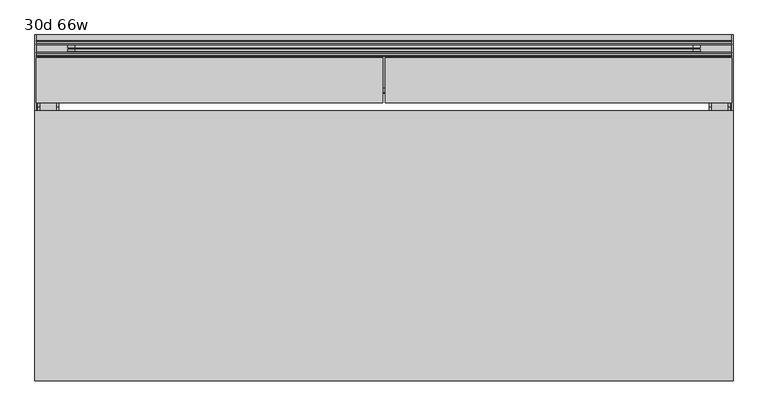
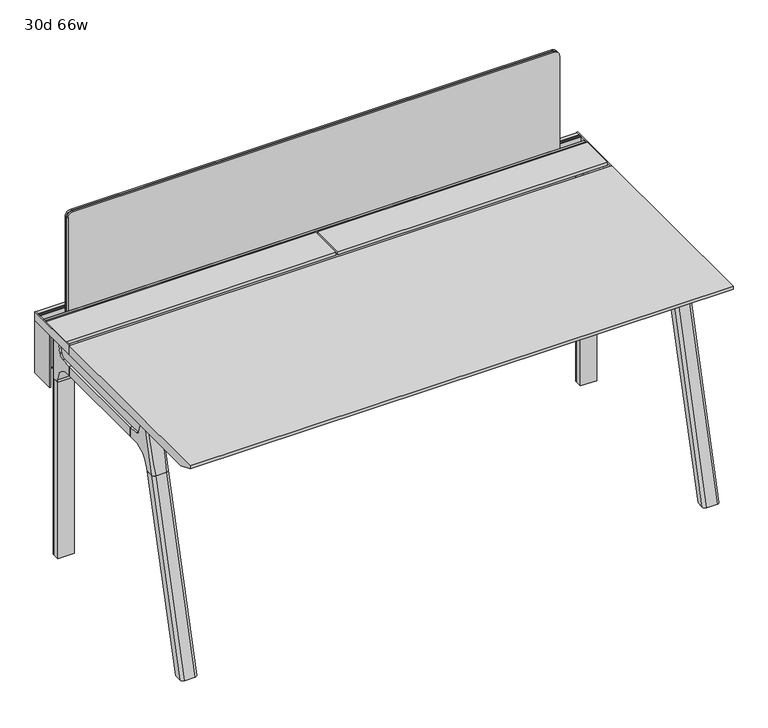
"""IFC4 building model written with IfcOpenShell, lengths in millimetres: furniture geometry, 30d 66w."""

from ifc_helpers import new_model, si_unit, point, frame, frame_2d, origin, place, context, project, spatial, polyline, circle_curve, ellipse_curve, trimmed, segment, composite_curve, outline, extrude, source, transform, mapped, element, save
from ifc_brep_helpers import plane_surface, cylinder_surface, revolved_surface, advanced_brep


def furniture_30d_66w_2da714c2(model_context):
    return source(origin(), model_context, "Body", "SolidModel", [
        extrude(outline(composite_curve([segment(polyline([(-171.6458172, 542.478661), (-293.447806, 542.478661)]), True, "CONTINUOUS"), segment(trimmed(circle_curve(frame_2d((-293.447806, 555.972411)), 13.49375), [point((-293.447806, 542.478661))], [point((-306.941556, 555.972411))], False, "CARTESIAN"), True, "CONTINUOUS"), segment(polyline([(-306.941556, 555.972411), (-306.941556, 579.126206), (-306.147806, 579.126206), (-306.147806, 555.972411)]), True, "CONTINUOUS"), segment(trimmed(circle_curve(frame_2d((-293.447806, 555.972411)), 12.7), [point((-306.147806, 555.972411))], [point((-293.447806, 543.272411))], True, "CARTESIAN"), True, "CONTINUOUS"), segment(polyline([(-293.447806, 543.272411), (-171.6458172, 543.272411), (-171.6458172, 542.478661)]), True, "CONTINUOUS")], self_intersect=False)), frame((-466.725, 0.0, 0.0), z_axis=(1.0, 0.0, 0.0), x_axis=(0.0, 1.0, 0.0)), (0.0, 0.0, 1.0), 1365.25),
        extrude(outline(polyline([(-167.2415802, 542.478661), (-171.6458172, 542.478661), (-171.6458172, 543.272411), (-168.0353302, 543.272411), (-168.0353302, 738.7080593), (-179.9097266, 738.7080593), (-179.9097266, 729.9768093), (-180.7034766, 729.9768093), (-180.7034766, 739.5018093), (-167.2415802, 739.5018093), (-167.2415802, 542.478661)])), frame((-619.125, 0.0, 0.0), z_axis=(1.0, 0.0, 0.0), x_axis=(0.0, 1.0, 0.0)), (0.0, 0.0, 1.0), 1670.05),
        extrude(outline(composite_curve([segment(polyline([(1054.89375, 955.675), (1054.89375, -523.875)]), True, "CONTINUOUS"), segment(trimmed(circle_curve(frame_2d((1039.01875, -523.875)), 15.875), [point((1054.89375, -523.875))], [point((1039.01875, -539.75))], False, "CARTESIAN"), True, "CONTINUOUS"), segment(polyline([(1039.01875, -539.75), (720.725, -539.75), (720.725, 971.55), (1039.01875, 971.55)]), True, "CONTINUOUS"), segment(trimmed(circle_curve(frame_2d((1039.01875, 955.675)), 15.875), [point((1039.01875, 971.55))], [point((1054.89375, 955.675))], False, "CARTESIAN"), True, "CONTINUOUS")], self_intersect=False)), frame((0.0, -201.3409766, 0.0), z_axis=(0.0, 1.0, 0.0), x_axis=(0.0, 0.0, 1.0)), (0.0, 0.0, 1.0), 3.175),
        extrude(outline(composite_curve([segment(polyline([(1058.06875, 958.85), (1058.06875, -527.05)]), True, "CONTINUOUS"), segment(trimmed(circle_curve(frame_2d((1042.19375, -527.05)), 15.875), [point((1058.06875, -527.05))], [point((1042.19375, -542.925))], False, "CARTESIAN"), True, "CONTINUOUS"), segment(polyline([(1042.19375, -542.925), (717.55, -542.925), (717.55, 974.725), (1042.19375, 974.725)]), True, "CONTINUOUS"), segment(trimmed(circle_curve(frame_2d((1042.19375, 958.85)), 15.875), [point((1042.19375, 974.725))], [point((1058.06875, 958.85))], False, "CARTESIAN"), True, "CONTINUOUS")], self_intersect=False)), frame((0.0, -198.1659766, 0.0), z_axis=(0.0, 1.0, 0.0), x_axis=(0.0, 0.0, 1.0)), (0.0, 0.0, 1.0), 5.55625),
        extrude(outline(composite_curve([segment(polyline([(1058.06875, 958.85), (1058.06875, -527.05)]), True, "CONTINUOUS"), segment(trimmed(circle_curve(frame_2d((1042.19375, -527.05)), 15.875), [point((1058.06875, -527.05))], [point((1042.19375, -542.925))], False, "CARTESIAN"), True, "CONTINUOUS"), segment(polyline([(1042.19375, -542.925), (717.55, -542.925), (717.55, 974.725), (1042.19375, 974.725)]), True, "CONTINUOUS"), segment(trimmed(circle_curve(frame_2d((1042.19375, 958.85)), 15.875), [point((1042.19375, 974.725))], [point((1058.06875, 958.85))], False, "CARTESIAN"), True, "CONTINUOUS")], self_intersect=False)), frame((0.0, -206.8972266, 0.0), z_axis=(0.0, 1.0, 0.0), x_axis=(0.0, 0.0, 1.0)), (0.0, 0.0, 1.0), 5.55625),
        extrude(outline(polyline([(-218.8034766, 715.9625), (-218.8034766, 741.3625), (-217.2159766, 741.3625), (-217.2159766, 720.725), (-210.8659766, 720.725), (-210.8659766, 741.3625), (-209.2784766, 741.3625), (-209.2784766, 717.55), (-190.2284766, 717.55), (-190.2284766, 741.3625), (-188.6409766, 741.3625), (-188.6409766, 720.725), (-182.2909766, 720.725), (-182.2909766, 741.3625), (-180.7034766, 741.3625), (-180.7034766, 715.9625), (-218.8034766, 715.9625)])), frame((-619.125, 0.0, 0.0), z_axis=(1.0, 0.0, 0.0), x_axis=(0.0, 1.0, 0.0)), (0.0, 0.0, 1.0), 1670.05),
        extrude(outline(composite_curve([segment(polyline([(-280.7159766, 711.2), (-289.7740774, 677.3947076)]), True, "CONTINUOUS"), segment(trimmed(circle_curve(frame_2d((-305.1081499, 681.5034599)), 15.875), [point((-289.7740774, 677.3947076))], [point((-305.1081499, 665.6284599))], False, "CARTESIAN"), True, "CONTINUOUS"), segment(polyline([(-305.1081499, 665.6284599), (-703.2050533, 665.6284599)]), True, "CONTINUOUS"), segment(trimmed(circle_curve(frame_2d((-703.2050533, 681.5034599)), 15.875), [point((-703.2050533, 665.6284599))], [point((-718.5391258, 677.3947076))], False, "CARTESIAN"), True, "CONTINUOUS"), segment(polyline([(-718.5391258, 677.3947076), (-727.5972266, 711.2), (-280.7159766, 711.2)]), True, "CONTINUOUS")], self_intersect=False)), frame((1003.3, 0.0, 0.0), z_axis=(1.0, 0.0, 0.0), x_axis=(0.0, 1.0, 0.0)), (0.0, 0.0, 1.0), 38.1),
        extrude(outline(polyline([(1047.75, -341.0409766), (1047.75, -667.2722266), (996.95, -667.2722266), (996.95, -341.0409766), (1047.75, -341.0409766)])), frame((0.0, 0.0, 635.6476591), z_axis=(0.0, 0.0, 1.0), x_axis=(1.0, 0.0, 0.0)), (0.0, 0.0, 1.0), 29.9808008),
        extrude(outline(composite_curve([segment(polyline([(-280.7159766, 711.2), (-289.7740774, 677.3947076)]), True, "CONTINUOUS"), segment(trimmed(circle_curve(frame_2d((-305.1081499, 681.5034599)), 15.875), [point((-289.7740774, 677.3947076))], [point((-305.1081499, 665.6284599))], False, "CARTESIAN"), True, "CONTINUOUS"), segment(polyline([(-305.1081499, 665.6284599), (-703.2050533, 665.6284599)]), True, "CONTINUOUS"), segment(trimmed(circle_curve(frame_2d((-703.2050533, 681.5034599)), 15.875), [point((-703.2050533, 665.6284599))], [point((-718.5391258, 677.3947076))], False, "CARTESIAN"), True, "CONTINUOUS"), segment(polyline([(-718.5391258, 677.3947076), (-727.5972266, 711.2), (-280.7159766, 711.2)]), True, "CONTINUOUS")], self_intersect=False)), frame((-609.6, 0.0, 0.0), z_axis=(1.0, 0.0, 0.0), x_axis=(0.0, 1.0, 0.0)), (0.0, 0.0, 1.0), 38.1),
        extrude(outline(polyline([(-565.15, -341.0409766), (-565.15, -667.2722266), (-615.95, -667.2722266), (-615.95, -341.0409766), (-565.15, -341.0409766)])), frame((0.0, 0.0, 635.6476591), z_axis=(0.0, 0.0, 1.0), x_axis=(1.0, 0.0, 0.0)), (0.0, 0.0, 1.0), 29.9808008),
        advanced_brep(
        [(1047.75, -280.6696478, 711.2), (1047.75, -289.7277486, 677.3947076), (1047.75, -305.0618211, 665.6284599), (1047.75, -341.0409766, 665.6284599), (1047.75, -341.0409766, 635.6476591), (1047.75, -329.9284766, 635.6476591), (1047.75, -279.1284766, 584.8476591), (1047.75, -279.1284766, 576.659375), (1047.75, -256.9034766, 576.659375), (1047.75, -256.9034766, 711.2), (996.95, -279.1284766, 576.659375), (996.95, -279.1284766, 584.8476591), (996.95, -329.9284766, 635.6476591), (996.95, -341.0409766, 635.6476591), (996.95, -341.0409766, 665.6284599), (996.95, -305.0618211, 665.6284599), (996.95, -289.7277486, 677.3947076), (996.95, -280.6696478, 711.2), (996.95, -256.9034766, 711.2), (996.95, -256.9034766, 576.659375), (1038.225, -247.3784766, 711.2), (1006.475, -247.3784766, 711.2), (1006.475, -247.3784766, 576.659375), (1038.225, -247.3784766, 576.659375)],
        [
            (0, 1),
            (1, 2, circle_curve(frame((1047.75, -305.0618211, 681.5034599), z_axis=(-1.0, 0.0, 0.0), x_axis=(0.0, 1.0, 0.0)), 15.875)),
            (2, 3),
            (3, 4),
            (4, 5),
            (5, 6, circle_curve(frame((1047.75, -329.9284766, 584.8476591), z_axis=(-1.0, 0.0, 0.0), x_axis=(0.0, 1.0, 0.0)), 50.8)),
            (6, 7),
            (7, 8),
            (8, 9),
            (9, 0),
            (10, 11),
            (11, 12, circle_curve(frame((996.95, -329.9284766, 584.8476591), z_axis=(1.0, 0.0, 0.0), x_axis=(0.0, 1.0, 0.0)), 50.8)),
            (12, 13),
            (13, 14),
            (14, 15),
            (15, 16, circle_curve(frame((996.95, -305.0618211, 681.5034599), z_axis=(1.0, 0.0, 0.0), x_axis=(0.0, 1.0, 0.0)), 15.875)),
            (16, 17),
            (17, 18),
            (18, 19),
            (19, 10),
            (17, 0),
            (9, 20, circle_curve(frame((1038.225, -256.9034766, 711.2), z_axis=(0.0, 0.0, 1.0), x_axis=(-1.0, 0.0, 0.0)), 9.525)),
            (20, 21),
            (21, 18, circle_curve(frame((1006.475, -256.9034766, 711.2), z_axis=(0.0, 0.0, 1.0), x_axis=(-1.0, 0.0, 0.0)), 9.525)),
            (16, 1),
            (15, 2),
            (14, 3),
            (13, 4),
            (12, 5),
            (7, 10),
            (19, 22, circle_curve(frame((1006.475, -256.9034766, 576.659375), z_axis=(0.0, 0.0, -1.0), x_axis=(-1.0, 0.0, 0.0)), 9.525)),
            (22, 23),
            (23, 8, circle_curve(frame((1038.225, -256.9034766, 576.659375), z_axis=(0.0, 0.0, -1.0), x_axis=(-1.0, 0.0, 0.0)), 9.525)),
            (11, 6),
            (23, 20),
            (21, 22),
        ],
        [
            plane_surface(frame((1047.75, -240.451947, 711.2), z_axis=(1.0, 0.0, 0.0), x_axis=(0.0, -1.0, 0.0))),
            plane_surface(frame((996.95, -240.451947, 711.2), z_axis=(-1.0, 0.0, 0.0), x_axis=(0.0, 1.0, 0.0))),
            plane_surface(frame((1047.75, -240.451947, 711.2), z_axis=(0.0, 0.0, 1.0), x_axis=(-1.0, 0.0, 0.0))),
            plane_surface(frame((1047.75, -280.6696478, 711.2), z_axis=(0.0, -0.9659258262890683, 0.2588190451025207), x_axis=(-1.0, 0.0, 0.0))),
            revolved_surface(polyline([(996.95, -289.1868211, 681.5034599), (1047.75, -289.1868211, 681.5034599)]), (996.95, -305.0618211, 681.5034599), (-1.0, 0.0, 0.0)),
            plane_surface(frame((1047.75, -305.0618211, 665.6284599), z_axis=(0.0, 0.0, 1.0), x_axis=(-1.0, 0.0, 0.0))),
            plane_surface(frame((1047.75, -341.0409766, 665.6284599), z_axis=(0.0, -1.0, 0.0), x_axis=(-1.0, 0.0, 0.0))),
            plane_surface(frame((1047.75, -341.0409766, 635.6476591), z_axis=(0.0, 0.0, -1.0), x_axis=(-1.0, 0.0, 0.0))),
            plane_surface(frame((1047.75, -279.1284766, 576.659375), z_axis=(0.0, 0.0, -1.0), x_axis=(-1.0, 0.0, 0.0))),
            revolved_surface(polyline([(996.95, -279.1284766, 584.8476591), (1047.75, -279.1284766, 584.8476591)]), (996.95, -329.9284766, 584.8476591), (-1.0, 0.0, 0.0)),
            plane_surface(frame((1047.75, -279.1284766, 584.8476591), z_axis=(0.0, -1.0, 0.0), x_axis=(-1.0, 0.0, 0.0))),
            cylinder_surface(frame((1038.225, -256.9034766, 524.9807374), z_axis=(0.0, 0.0, -1.0), x_axis=(-1.0, 0.0, 0.0)), 9.525),
            cylinder_surface(frame((1006.475, -256.9034766, 524.9807374), z_axis=(0.0, 0.0, -1.0), x_axis=(-1.0, 0.0, 0.0)), 9.525),
            plane_surface(frame((1006.475, -247.3784766, 711.2), z_axis=(0.0, 1.0, 0.0), x_axis=(0.0, 0.0, -1.0))),
        ],
        [
            (0, [[1, 2, 3, 4, 5, 6, 7, 8, 9, 10]]),
            (1, [[11, 12, 13, 14, 15, 16, 17, 18, 19, 20]]),
            (2, [[21, -10, 22, 23, 24, -18]]),
            (3, [[-1, -21, -17, 25]]),
            (4, [[-2, -25, -16, 26]]),
            (5, [[-3, -26, -15, 27]]),
            (6, [[-4, -27, -14, 28]]),
            (7, [[-5, -28, -13, 29]]),
            (8, [[30, -20, 31, 32, 33, -8]]),
            (9, [[-6, -29, -12, 34]]),
            (10, [[-7, -34, -11, -30]]),
            (11, [[35, -22, -9, -33]]),
            (12, [[36, -31, -19, -24]]),
            (13, [[-35, -32, -36, -23]]),
        ],
    ),
        advanced_brep(
        [(996.95, -279.1284766, 576.659375), (1047.75, -279.1284766, 576.659375), (1047.75, -256.9034766, 576.659375), (1038.225, -247.3784766, 576.659375), (1006.475, -247.3784766, 576.659375), (996.95, -256.9034766, 576.659375), (996.95, -279.1284766, 0.0), (996.95, -256.9034766, 0.0), (1006.475, -247.3784766, 0.0), (1038.225, -247.3784766, 0.0), (1047.75, -256.9034766, 0.0), (1047.75, -279.1284766, 0.0), (1047.75, -256.9034766, 524.9807374), (1038.225, -247.3784766, 524.9807374), (1006.475, -247.3784766, 524.9807374), (996.95, -256.9034766, 524.9807374)],
        [
            (0, 1),
            (1, 2),
            (2, 3, circle_curve(frame((1038.225, -256.9034766, 576.659375), z_axis=(0.0, 0.0, 1.0), x_axis=(-1.0, 0.0, 0.0)), 9.525)),
            (3, 4),
            (4, 5, circle_curve(frame((1006.475, -256.9034766, 576.659375), z_axis=(0.0, 0.0, 1.0), x_axis=(-1.0, 0.0, 0.0)), 9.525)),
            (5, 0),
            (6, 7),
            (7, 8, circle_curve(frame((1006.475, -256.9034766, 0.0), z_axis=(0.0, 0.0, -1.0), x_axis=(-1.0, 0.0, 0.0)), 9.525)),
            (8, 9),
            (9, 10, circle_curve(frame((1038.225, -256.9034766, 0.0), z_axis=(0.0, 0.0, -1.0), x_axis=(-1.0, 0.0, 0.0)), 9.525)),
            (10, 11),
            (11, 6),
            (0, 6),
            (11, 1),
            (10, 12),
            (12, 2),
            (9, 13),
            (13, 3),
            (8, 14),
            (14, 4),
            (7, 15),
            (15, 5),
        ],
        [
            plane_surface(frame((1054.9462903, -279.1284766, 576.659375), z_axis=(0.0, 0.0, 1.0), x_axis=(1.0, 0.0, 0.0))),
            plane_surface(frame((1054.9462903, -279.1284766, 0.0), z_axis=(0.0, 0.0, -1.0), x_axis=(-1.0, 0.0, 0.0))),
            plane_surface(frame((996.95, -279.1284766, 576.659375), z_axis=(0.0, -1.0, 0.0), x_axis=(0.0, 0.0, -1.0))),
            plane_surface(frame((1047.75, -279.1284766, 576.659375), z_axis=(1.0, 0.0, 0.0), x_axis=(0.0, 0.0, -1.0))),
            cylinder_surface(frame((1038.225, -256.9034766, 0.0), z_axis=(0.0, 0.0, 1.0), x_axis=(-1.0, 0.0, 0.0)), 9.525),
            plane_surface(frame((1038.225, -247.3784766, 576.659375), z_axis=(0.0, 1.0, 0.0), x_axis=(0.0, 0.0, -1.0))),
            cylinder_surface(frame((1006.475, -256.9034766, 0.0), z_axis=(0.0, 0.0, 1.0), x_axis=(-1.0, 0.0, 0.0)), 9.525),
            plane_surface(frame((996.95, -256.9034766, 576.659375), z_axis=(-1.0, 0.0, 0.0), x_axis=(0.0, 0.0, -1.0))),
        ],
        [
            (0, [[1, 2, 3, 4, 5, 6]]),
            (1, [[7, 8, 9, 10, 11, 12]]),
            (2, [[-1, 13, -12, 14]]),
            (3, [[-2, -14, -11, 15, 16]]),
            (4, [[-3, -16, -15, -10, 17, 18]]),
            (5, [[-4, -18, -17, -9, 19, 20]]),
            (6, [[-5, -20, -19, -8, 21, 22]]),
            (7, [[-6, -22, -21, -7, -13]]),
        ],
    ),
        advanced_brep(
        [(-565.15, -280.6696478, 711.2), (-565.15, -289.7277486, 677.3947076), (-565.15, -305.0618211, 665.6284599), (-565.15, -341.0409766, 665.6284599), (-565.15, -341.0409766, 635.6476591), (-565.15, -329.9284766, 635.6476591), (-565.15, -279.1284766, 584.8476591), (-565.15, -279.1284766, 576.659375), (-565.15, -256.9034766, 576.659375), (-565.15, -256.9034766, 711.2), (-615.95, -279.1284766, 576.659375), (-615.95, -279.1284766, 584.8476591), (-615.95, -329.9284766, 635.6476591), (-615.95, -341.0409766, 635.6476591), (-615.95, -341.0409766, 665.6284599), (-615.95, -305.0618211, 665.6284599), (-615.95, -289.7277486, 677.3947076), (-615.95, -280.6696478, 711.2), (-615.95, -256.9034766, 711.2), (-615.95, -256.9034766, 576.659375), (-574.675, -247.3784766, 711.2), (-606.425, -247.3784766, 711.2), (-606.425, -247.3784766, 576.659375), (-574.675, -247.3784766, 576.659375)],
        [
            (0, 1),
            (1, 2, circle_curve(frame((-565.15, -305.0618211, 681.5034599), z_axis=(-1.0, 0.0, 0.0), x_axis=(0.0, 1.0, 0.0)), 15.875)),
            (2, 3),
            (3, 4),
            (4, 5),
            (5, 6, circle_curve(frame((-565.15, -329.9284766, 584.8476591), z_axis=(-1.0, 0.0, 0.0), x_axis=(0.0, 1.0, 0.0)), 50.8)),
            (6, 7),
            (7, 8),
            (8, 9),
            (9, 0),
            (10, 11),
            (11, 12, circle_curve(frame((-615.95, -329.9284766, 584.8476591), z_axis=(1.0, 0.0, 0.0), x_axis=(0.0, 1.0, 0.0)), 50.8)),
            (12, 13),
            (13, 14),
            (14, 15),
            (15, 16, circle_curve(frame((-615.95, -305.0618211, 681.5034599), z_axis=(1.0, 0.0, 0.0), x_axis=(0.0, 1.0, 0.0)), 15.875)),
            (16, 17),
            (17, 18),
            (18, 19),
            (19, 10),
            (17, 0),
            (9, 20, circle_curve(frame((-574.675, -256.9034766, 711.2), z_axis=(0.0, 0.0, 1.0), x_axis=(-1.0, 0.0, 0.0)), 9.525)),
            (20, 21),
            (21, 18, circle_curve(frame((-606.425, -256.9034766, 711.2), z_axis=(0.0, 0.0, 1.0), x_axis=(-1.0, 0.0, 0.0)), 9.525)),
            (16, 1),
            (15, 2),
            (14, 3),
            (13, 4),
            (12, 5),
            (7, 10),
            (19, 22, circle_curve(frame((-606.425, -256.9034766, 576.659375), z_axis=(0.0, 0.0, -1.0), x_axis=(-1.0, 0.0, 0.0)), 9.525)),
            (22, 23),
            (23, 8, circle_curve(frame((-574.675, -256.9034766, 576.659375), z_axis=(0.0, 0.0, -1.0), x_axis=(-1.0, 0.0, 0.0)), 9.525)),
            (11, 6),
            (23, 20),
            (21, 22),
        ],
        [
            plane_surface(frame((-565.15, -240.451947, 711.2), z_axis=(1.0, 0.0, 0.0), x_axis=(0.0, -1.0, 0.0))),
            plane_surface(frame((-615.95, -240.451947, 711.2), z_axis=(-1.0, 0.0, 0.0), x_axis=(0.0, 1.0, 0.0))),
            plane_surface(frame((-565.15, -240.451947, 711.2), z_axis=(0.0, 0.0, 1.0), x_axis=(-1.0, 0.0, 0.0))),
            plane_surface(frame((-565.15, -280.6696478, 711.2), z_axis=(0.0, -0.9659258262890683, 0.2588190451025207), x_axis=(-1.0, 0.0, 0.0))),
            revolved_surface(polyline([(-615.95, -289.1868211, 681.5034599), (-565.15, -289.1868211, 681.5034599)]), (-615.95, -305.0618211, 681.5034599), (-1.0, 0.0, 0.0)),
            plane_surface(frame((-565.15, -305.0618211, 665.6284599), z_axis=(0.0, 0.0, 1.0), x_axis=(-1.0, 0.0, 0.0))),
            plane_surface(frame((-565.15, -341.0409766, 665.6284599), z_axis=(0.0, -1.0, 0.0), x_axis=(-1.0, 0.0, 0.0))),
            plane_surface(frame((-565.15, -341.0409766, 635.6476591), z_axis=(0.0, 0.0, -1.0), x_axis=(-1.0, 0.0, 0.0))),
            plane_surface(frame((-565.15, -279.1284766, 576.659375), z_axis=(0.0, 0.0, -1.0), x_axis=(-1.0, 0.0, 0.0))),
            revolved_surface(polyline([(-615.95, -279.1284766, 584.8476591), (-565.15, -279.1284766, 584.8476591)]), (-615.95, -329.9284766, 584.8476591), (-1.0, 0.0, 0.0)),
            plane_surface(frame((-565.15, -279.1284766, 584.8476591), z_axis=(0.0, -1.0, 0.0), x_axis=(-1.0, 0.0, 0.0))),
            cylinder_surface(frame((-574.675, -256.9034766, 524.9807374), z_axis=(0.0, 0.0, -1.0), x_axis=(-1.0, 0.0, 0.0)), 9.525),
            cylinder_surface(frame((-606.425, -256.9034766, 524.9807374), z_axis=(0.0, 0.0, -1.0), x_axis=(-1.0, 0.0, 0.0)), 9.525),
            plane_surface(frame((-606.425, -247.3784766, 711.2), z_axis=(0.0, 1.0, 0.0), x_axis=(0.0, 0.0, -1.0))),
        ],
        [
            (0, [[1, 2, 3, 4, 5, 6, 7, 8, 9, 10]]),
            (1, [[11, 12, 13, 14, 15, 16, 17, 18, 19, 20]]),
            (2, [[21, -10, 22, 23, 24, -18]]),
            (3, [[-1, -21, -17, 25]]),
            (4, [[-2, -25, -16, 26]]),
            (5, [[-3, -26, -15, 27]]),
            (6, [[-4, -27, -14, 28]]),
            (7, [[-5, -28, -13, 29]]),
            (8, [[30, -20, 31, 32, 33, -8]]),
            (9, [[-6, -29, -12, 34]]),
            (10, [[-7, -34, -11, -30]]),
            (11, [[35, -22, -9, -33]]),
            (12, [[36, -31, -19, -24]]),
            (13, [[-35, -32, -36, -23]]),
        ],
    ),
        advanced_brep(
        [(-615.95, -279.1284766, 576.659375), (-565.15, -279.1284766, 576.659375), (-565.15, -256.9034766, 576.659375), (-574.675, -247.3784766, 576.659375), (-606.425, -247.3784766, 576.659375), (-615.95, -256.9034766, 576.659375), (-615.95, -279.1284766, 0.0), (-615.95, -256.9034766, 0.0), (-606.425, -247.3784766, 0.0), (-574.675, -247.3784766, 0.0), (-565.15, -256.9034766, 0.0), (-565.15, -279.1284766, 0.0), (-565.15, -256.9034766, 524.9807374), (-574.675, -247.3784766, 524.9807374), (-606.425, -247.3784766, 524.9807374), (-615.95, -256.9034766, 524.9807374)],
        [
            (0, 1),
            (1, 2),
            (2, 3, circle_curve(frame((-574.675, -256.9034766, 576.659375), z_axis=(0.0, 0.0, 1.0), x_axis=(-1.0, 0.0, 0.0)), 9.525)),
            (3, 4),
            (4, 5, circle_curve(frame((-606.425, -256.9034766, 576.659375), z_axis=(0.0, 0.0, 1.0), x_axis=(-1.0, 0.0, 0.0)), 9.525)),
            (5, 0),
            (6, 7),
            (7, 8, circle_curve(frame((-606.425, -256.9034766, 0.0), z_axis=(0.0, 0.0, -1.0), x_axis=(-1.0, 0.0, 0.0)), 9.525)),
            (8, 9),
            (9, 10, circle_curve(frame((-574.675, -256.9034766, 0.0), z_axis=(0.0, 0.0, -1.0), x_axis=(-1.0, 0.0, 0.0)), 9.525)),
            (10, 11),
            (11, 6),
            (0, 6),
            (11, 1),
            (10, 12),
            (12, 2),
            (9, 13),
            (13, 3),
            (8, 14),
            (14, 4),
            (7, 15),
            (15, 5),
        ],
        [
            plane_surface(frame((-557.9537097, -279.1284766, 576.659375), z_axis=(0.0, 0.0, 1.0), x_axis=(1.0, 0.0, 0.0))),
            plane_surface(frame((-557.9537097, -279.1284766, 0.0), z_axis=(0.0, 0.0, -1.0), x_axis=(-1.0, 0.0, 0.0))),
            plane_surface(frame((-615.95, -279.1284766, 576.659375), z_axis=(0.0, -1.0, 0.0), x_axis=(0.0, 0.0, -1.0))),
            plane_surface(frame((-565.15, -279.1284766, 576.659375), z_axis=(1.0, 0.0, 0.0), x_axis=(0.0, 0.0, -1.0))),
            cylinder_surface(frame((-574.675, -256.9034766, 0.0), z_axis=(0.0, 0.0, 1.0), x_axis=(-1.0, 0.0, 0.0)), 9.525),
            plane_surface(frame((-574.675, -247.3784766, 576.659375), z_axis=(0.0, 1.0, 0.0), x_axis=(0.0, 0.0, -1.0))),
            cylinder_surface(frame((-606.425, -256.9034766, 0.0), z_axis=(0.0, 0.0, 1.0), x_axis=(-1.0, 0.0, 0.0)), 9.525),
            plane_surface(frame((-615.95, -256.9034766, 576.659375), z_axis=(-1.0, 0.0, 0.0), x_axis=(0.0, 0.0, -1.0))),
        ],
        [
            (0, [[1, 2, 3, 4, 5, 6]]),
            (1, [[7, 8, 9, 10, 11, 12]]),
            (2, [[-1, 13, -12, 14]]),
            (3, [[-2, -14, -11, 15, 16]]),
            (4, [[-3, -16, -15, -10, 17, 18]]),
            (5, [[-4, -18, -17, -9, 19, 20]]),
            (6, [[-5, -20, -19, -8, 21, 22]]),
            (7, [[-6, -22, -21, -7, -13]]),
        ],
    ),
        advanced_brep(
        [(996.95, -721.2935553, 711.2), (996.95, -712.2354545, 677.3947076), (996.95, -696.901382, 665.6284599), (996.95, -667.2722266, 665.6284599), (996.95, -667.2722266, 635.6476591), (996.95, -690.1434588, 635.6476591), (996.95, -754.5465633, 586.2294189), (996.95, -757.1047754, 576.6820411), (996.95, -778.2087453, 576.6820411), (996.95, -742.7601017, 711.2), (1047.75, -757.1047754, 576.6820411), (1047.75, -754.5465633, 586.2294189), (1047.75, -690.1434588, 635.6476591), (1047.75, -667.2722266, 635.6476591), (1047.75, -667.2722266, 665.6284599), (1047.75, -696.901382, 665.6284599), (1047.75, -712.2354545, 677.3947076), (1047.75, -721.2935553, 711.2), (1047.75, -742.7601017, 711.2), (1047.75, -778.2087453, 576.6820411), (1003.2138162, -752.0149462, 711.2), (1041.4861838, -752.0149462, 711.2), (1038.225, -788.0589247, 576.6820411), (1006.475, -788.0589247, 576.6820411)],
        [
            (0, 1),
            (1, 2, circle_curve(frame((996.95, -696.901382, 681.5034599), z_axis=(1.0, 0.0, 0.0), x_axis=(0.0, -1.0, 0.0)), 15.875)),
            (2, 3),
            (3, 4),
            (4, 5),
            (5, 6, circle_curve(frame((996.95, -690.1434588, 568.9726591), z_axis=(1.0, 0.0, 0.0), x_axis=(0.0, -1.0, 0.0)), 66.675)),
            (6, 7),
            (7, 8),
            (8, 9),
            (9, 0),
            (10, 11),
            (11, 12, circle_curve(frame((1047.75, -690.1434588, 568.9726591), z_axis=(-1.0, 0.0, 0.0), x_axis=(0.0, -1.0, 0.0)), 66.675)),
            (12, 13),
            (13, 14),
            (14, 15),
            (15, 16, circle_curve(frame((1047.75, -696.901382, 681.5034599), z_axis=(-1.0, 0.0, 0.0), x_axis=(0.0, -1.0, 0.0)), 15.875)),
            (16, 17),
            (17, 18),
            (18, 19),
            (19, 10),
            (17, 0),
            (9, 20, ellipse_curve(frame((1006.475, -742.7601017, 711.2), z_axis=(0.0, 0.0, 1.0), x_axis=(0.0, -1.0, 0.0)), 9.8501793, 9.525)),
            (20, 21),
            (21, 18, ellipse_curve(frame((1038.225, -742.7601017, 711.2), z_axis=(0.0, 0.0, 1.0), x_axis=(0.0, -1.0, 0.0)), 9.8501793, 9.525)),
            (16, 1),
            (15, 2),
            (14, 3),
            (13, 4),
            (12, 5),
            (11, 6),
            (10, 7),
            (19, 22, ellipse_curve(frame((1038.225, -778.2087453, 576.6820411), z_axis=(0.0, 0.0, -1.0), x_axis=(0.0, -1.0, 0.0)), 9.8501793, 9.525)),
            (22, 23),
            (23, 8, ellipse_curve(frame((1006.475, -778.2087453, 576.6820411), z_axis=(0.0, 0.0, -1.0), x_axis=(0.0, -1.0, 0.0)), 9.8501793, 9.525)),
            (20, 23, ellipse_curve(frame((1006.475, -191.6892106, 2802.3641142), z_axis=(0.0, -0.9659258262890684, 0.2588190451025206), x_axis=(0.0, -0.2588190451025206, -0.9659258262890684)), 2304.1956354, 9.525)),
            (22, 21, ellipse_curve(frame((1038.225, -191.6892106, 2802.3641142), z_axis=(0.0, -0.9659258262890684, 0.2588190451025206), x_axis=(0.0, -0.2588190451025206, -0.9659258262890684)), 2304.1956354, 9.525)),
        ],
        [
            plane_surface(frame((996.95, -752.0149462, 711.2), z_axis=(-1.0, 0.0, 0.0), x_axis=(0.0, 1.0, 0.0))),
            plane_surface(frame((1047.75, -752.0149462, 711.2), z_axis=(1.0, 0.0, 0.0), x_axis=(0.0, -1.0, 0.0))),
            plane_surface(frame((996.95, -752.0149462, 711.2), z_axis=(0.0, 0.0, 1.0), x_axis=(1.0, 0.0, 0.0))),
            plane_surface(frame((996.95, -721.2935553, 711.2), z_axis=(0.0, 0.9659258262890683, 0.2588190451025207), x_axis=(1.0, 0.0, 0.0))),
            revolved_surface(polyline([(1047.75, -712.776382, 681.5034599), (996.95, -712.776382, 681.5034599)]), (1047.75, -696.901382, 681.5034599), (1.0, 0.0, 0.0)),
            plane_surface(frame((996.95, -696.901382, 665.6284599), z_axis=(0.0, 0.0, 1.0), x_axis=(1.0, 0.0, 0.0))),
            plane_surface(frame((996.95, -667.2722266, 665.6284599), z_axis=(0.0, 1.0, 0.0), x_axis=(1.0, 0.0, 0.0))),
            plane_surface(frame((996.95, -667.2722266, 635.6476591), z_axis=(0.0, 0.0, -1.0), x_axis=(1.0, 0.0, 0.0))),
            revolved_surface(polyline([(1047.75, -756.8184587999999, 568.9726591), (996.95, -756.8184587999999, 568.9726591)]), (1047.75, -690.1434588, 568.9726591), (1.0, 0.0, 0.0)),
            plane_surface(frame((996.95, -754.5465633, 586.2294189), z_axis=(0.0, 0.9659258262890693, -0.25881904510251696), x_axis=(1.0, 0.0, 0.0))),
            plane_surface(frame((996.95, -757.1047754, 576.6820411), z_axis=(0.0, 0.0, -1.0), x_axis=(1.0, 0.0, 0.0))),
            plane_surface(frame((996.95, -788.0589247, 576.6820411), z_axis=(0.0, -0.9659258262890684, 0.2588190451025206), x_axis=(1.0, 0.0, 0.0))),
            cylinder_surface(frame((1006.475, -930.8176402, -2.4271979), z_axis=(0.0, -0.25482392474081483, -0.966987470125486), x_axis=(1.0, 0.0, 0.0)), 9.525),
            cylinder_surface(frame((1038.225, -930.8176402, -2.4271979), z_axis=(0.0, -0.25482392474081483, -0.966987470125486), x_axis=(1.0, 0.0, 0.0)), 9.525),
        ],
        [
            (0, [[1, 2, 3, 4, 5, 6, 7, 8, 9, 10]]),
            (1, [[11, 12, 13, 14, 15, 16, 17, 18, 19, 20]]),
            (2, [[21, -10, 22, 23, 24, -18]]),
            (3, [[-1, -21, -17, 25]]),
            (4, [[-2, -25, -16, 26]]),
            (5, [[-3, -26, -15, 27]]),
            (6, [[-4, -27, -14, 28]]),
            (7, [[-5, -28, -13, 29]]),
            (8, [[-6, -29, -12, 30]]),
            (9, [[-7, -30, -11, 31]]),
            (10, [[-31, -20, 32, 33, 34, -8]]),
            (11, [[-23, 35, -33, 36]]),
            (12, [[-9, -34, -35, -22]]),
            (13, [[-19, -24, -36, -32]]),
        ],
    ),
        advanced_brep(
        [(996.95, -757.1047754, 576.6820411), (996.95, -909.0740466, 0.0), (996.95, -930.1780165, 0.0), (996.95, -778.2087453, 576.6820411), (1047.75, -909.0740466, 0.0), (1047.75, -757.1047754, 576.6820411), (1047.75, -778.2087453, 576.6820411), (1047.75, -930.1780165, 0.0), (1006.475, -788.0589247, 576.6820411), (1038.225, -788.0589247, 576.6820411), (1038.225, -940.0281958, 0.0), (1006.475, -940.0281958, 0.0)],
        [
            (0, 1),
            (1, 2),
            (2, 3),
            (3, 0),
            (4, 5),
            (5, 6),
            (6, 7),
            (7, 4),
            (5, 0),
            (3, 8, ellipse_curve(frame((1006.475, -778.2087453, 576.6820411), z_axis=(0.0, 0.0, 1.0), x_axis=(0.0, -1.0, 0.0)), 9.8501793, 9.525)),
            (8, 9),
            (9, 6, ellipse_curve(frame((1038.225, -778.2087453, 576.6820411), z_axis=(0.0, 0.0, 1.0), x_axis=(0.0, -1.0, 0.0)), 9.8501793, 9.525)),
            (4, 1),
            (7, 10, ellipse_curve(frame((1038.225, -930.1780165, 0.0), z_axis=(0.0, 0.0, -1.0), x_axis=(0.0, -1.0, 0.0)), 9.8501793, 9.525)),
            (10, 11),
            (11, 2, ellipse_curve(frame((1006.475, -930.1780165, 0.0), z_axis=(0.0, 0.0, -1.0), x_axis=(0.0, -1.0, 0.0)), 9.8501793, 9.525)),
            (8, 11),
            (10, 9),
        ],
        [
            plane_surface(frame((996.95, -788.0589247, 576.6820411), z_axis=(-1.0, 0.0, 0.0), x_axis=(0.0, 1.0, 0.0))),
            plane_surface(frame((1047.75, -788.0589247, 576.6820411), z_axis=(1.0, 0.0, 0.0), x_axis=(0.0, -1.0, 0.0))),
            plane_surface(frame((996.95, -788.0589247, 576.6820411), z_axis=(0.0, 0.0, 1.0), x_axis=(1.0, 0.0, 0.0))),
            plane_surface(frame((996.95, -757.1047754, 576.6820411), z_axis=(0.0, 0.9669874701254844, -0.2548239247408208), x_axis=(1.0, 0.0, 0.0))),
            plane_surface(frame((996.95, -909.0740466, 0.0), z_axis=(0.0, 0.0, -1.0), x_axis=(1.0, 0.0, 0.0))),
            plane_surface(frame((996.95, -940.0281958, 0.0), z_axis=(0.0, -0.9669874701254855, 0.2548239247408166), x_axis=(1.0, 0.0, 0.0))),
            cylinder_surface(frame((1006.475, -930.8176402, -2.4271979), z_axis=(0.0, -0.25482392474081483, -0.966987470125486), x_axis=(1.0, 0.0, 0.0)), 9.525),
            cylinder_surface(frame((1038.225, -930.8176402, -2.4271979), z_axis=(0.0, -0.25482392474081483, -0.966987470125486), x_axis=(1.0, 0.0, 0.0)), 9.525),
        ],
        [
            (0, [[1, 2, 3, 4]]),
            (1, [[5, 6, 7, 8]]),
            (2, [[9, -4, 10, 11, 12, -6]]),
            (3, [[-1, -9, -5, 13]]),
            (4, [[-13, -8, 14, 15, 16, -2]]),
            (5, [[-11, 17, -15, 18]]),
            (6, [[-3, -16, -17, -10]]),
            (7, [[-7, -12, -18, -14]]),
        ],
    ),
        advanced_brep(
        [(-615.95, -721.2935553, 711.2), (-615.95, -712.2354545, 677.3947076), (-615.95, -696.901382, 665.6284599), (-615.95, -667.2722266, 665.6284599), (-615.95, -667.2722266, 635.6476591), (-615.95, -690.1434588, 635.6476591), (-615.95, -754.5465633, 586.2294189), (-615.95, -757.1047754, 576.6820411), (-615.95, -778.2087453, 576.6820411), (-615.95, -742.7601017, 711.2), (-565.15, -757.1047754, 576.6820411), (-565.15, -754.5465633, 586.2294189), (-565.15, -690.1434588, 635.6476591), (-565.15, -667.2722266, 635.6476591), (-565.15, -667.2722266, 665.6284599), (-565.15, -696.901382, 665.6284599), (-565.15, -712.2354545, 677.3947076), (-565.15, -721.2935553, 711.2), (-565.15, -742.7601017, 711.2), (-565.15, -778.2087453, 576.6820411), (-609.6861838, -752.0149462, 711.2), (-571.4138162, -752.0149462, 711.2), (-574.675, -788.0589247, 576.6820411), (-606.425, -788.0589247, 576.6820411)],
        [
            (0, 1),
            (1, 2, circle_curve(frame((-615.95, -696.901382, 681.5034599), z_axis=(1.0, 0.0, 0.0), x_axis=(0.0, -1.0, 0.0)), 15.875)),
            (2, 3),
            (3, 4),
            (4, 5),
            (5, 6, circle_curve(frame((-615.95, -690.1434588, 568.9726591), z_axis=(1.0, 0.0, 0.0), x_axis=(0.0, -1.0, 0.0)), 66.675)),
            (6, 7),
            (7, 8),
            (8, 9),
            (9, 0),
            (10, 11),
            (11, 12, circle_curve(frame((-565.15, -690.1434588, 568.9726591), z_axis=(-1.0, 0.0, 0.0), x_axis=(0.0, -1.0, 0.0)), 66.675)),
            (12, 13),
            (13, 14),
            (14, 15),
            (15, 16, circle_curve(frame((-565.15, -696.901382, 681.5034599), z_axis=(-1.0, 0.0, 0.0), x_axis=(0.0, -1.0, 0.0)), 15.875)),
            (16, 17),
            (17, 18),
            (18, 19),
            (19, 10),
            (17, 0),
            (9, 20, ellipse_curve(frame((-606.425, -742.7601017, 711.2), z_axis=(0.0, 0.0, 1.0), x_axis=(0.0, -1.0, 0.0)), 9.8501793, 9.525)),
            (20, 21),
            (21, 18, ellipse_curve(frame((-574.675, -742.7601017, 711.2), z_axis=(0.0, 0.0, 1.0), x_axis=(0.0, -1.0, 0.0)), 9.8501793, 9.525)),
            (16, 1),
            (15, 2),
            (14, 3),
            (13, 4),
            (12, 5),
            (11, 6),
            (10, 7),
            (19, 22, ellipse_curve(frame((-574.675, -778.2087453, 576.6820411), z_axis=(0.0, 0.0, -1.0), x_axis=(0.0, -1.0, 0.0)), 9.8501793, 9.525)),
            (22, 23),
            (23, 8, ellipse_curve(frame((-606.425, -778.2087453, 576.6820411), z_axis=(0.0, 0.0, -1.0), x_axis=(0.0, -1.0, 0.0)), 9.8501793, 9.525)),
            (20, 23, ellipse_curve(frame((-606.425, -191.6892106, 2802.3641142), z_axis=(0.0, -0.9659258262890684, 0.2588190451025206), x_axis=(0.0, -0.2588190451025206, -0.9659258262890684)), 2304.1956354, 9.525)),
            (22, 21, ellipse_curve(frame((-574.675, -191.6892106, 2802.3641142), z_axis=(0.0, -0.9659258262890684, 0.2588190451025206), x_axis=(0.0, -0.2588190451025206, -0.9659258262890684)), 2304.1956354, 9.525)),
        ],
        [
            plane_surface(frame((-615.95, -752.0149462, 711.2), z_axis=(-1.0, 0.0, 0.0), x_axis=(0.0, 1.0, 0.0))),
            plane_surface(frame((-565.15, -752.0149462, 711.2), z_axis=(1.0, 0.0, 0.0), x_axis=(0.0, -1.0, 0.0))),
            plane_surface(frame((-615.95, -752.0149462, 711.2), z_axis=(0.0, 0.0, 1.0), x_axis=(1.0, 0.0, 0.0))),
            plane_surface(frame((-615.95, -721.2935553, 711.2), z_axis=(0.0, 0.9659258262890683, 0.2588190451025207), x_axis=(1.0, 0.0, 0.0))),
            revolved_surface(polyline([(-565.15, -712.776382, 681.5034599), (-615.95, -712.776382, 681.5034599)]), (-565.15, -696.901382, 681.5034599), (1.0, 0.0, 0.0)),
            plane_surface(frame((-615.95, -696.901382, 665.6284599), z_axis=(0.0, 0.0, 1.0), x_axis=(1.0, 0.0, 0.0))),
            plane_surface(frame((-615.95, -667.2722266, 665.6284599), z_axis=(0.0, 1.0, 0.0), x_axis=(1.0, 0.0, 0.0))),
            plane_surface(frame((-615.95, -667.2722266, 635.6476591), z_axis=(0.0, 0.0, -1.0), x_axis=(1.0, 0.0, 0.0))),
            revolved_surface(polyline([(-565.15, -756.8184587999999, 568.9726591), (-615.95, -756.8184587999999, 568.9726591)]), (-565.15, -690.1434588, 568.9726591), (1.0, 0.0, 0.0)),
            plane_surface(frame((-615.95, -754.5465633, 586.2294189), z_axis=(0.0, 0.9659258262890693, -0.25881904510251696), x_axis=(1.0, 0.0, 0.0))),
            plane_surface(frame((-615.95, -757.1047754, 576.6820411), z_axis=(0.0, 0.0, -1.0), x_axis=(1.0, 0.0, 0.0))),
            plane_surface(frame((-615.95, -788.0589247, 576.6820411), z_axis=(0.0, -0.9659258262890684, 0.2588190451025206), x_axis=(1.0, 0.0, 0.0))),
            cylinder_surface(frame((-606.425, -930.8176402, -2.4271979), z_axis=(0.0, -0.25482392474081483, -0.966987470125486), x_axis=(1.0, 0.0, 0.0)), 9.525),
            cylinder_surface(frame((-574.675, -930.8176402, -2.4271979), z_axis=(0.0, -0.25482392474081483, -0.966987470125486), x_axis=(1.0, 0.0, 0.0)), 9.525),
        ],
        [
            (0, [[1, 2, 3, 4, 5, 6, 7, 8, 9, 10]]),
            (1, [[11, 12, 13, 14, 15, 16, 17, 18, 19, 20]]),
            (2, [[21, -10, 22, 23, 24, -18]]),
            (3, [[-1, -21, -17, 25]]),
            (4, [[-2, -25, -16, 26]]),
            (5, [[-3, -26, -15, 27]]),
            (6, [[-4, -27, -14, 28]]),
            (7, [[-5, -28, -13, 29]]),
            (8, [[-6, -29, -12, 30]]),
            (9, [[-7, -30, -11, 31]]),
            (10, [[-31, -20, 32, 33, 34, -8]]),
            (11, [[-23, 35, -33, 36]]),
            (12, [[-9, -34, -35, -22]]),
            (13, [[-19, -24, -36, -32]]),
        ],
    ),
        advanced_brep(
        [(-615.95, -757.1047754, 576.6820411), (-615.95, -909.0740466, 0.0), (-615.95, -930.1780165, 0.0), (-615.95, -778.2087453, 576.6820411), (-565.15, -909.0740466, 0.0), (-565.15, -757.1047754, 576.6820411), (-565.15, -778.2087453, 576.6820411), (-565.15, -930.1780165, 0.0), (-606.425, -788.0589247, 576.6820411), (-574.675, -788.0589247, 576.6820411), (-574.675, -940.0281958, 0.0), (-606.425, -940.0281958, 0.0)],
        [
            (0, 1),
            (1, 2),
            (2, 3),
            (3, 0),
            (4, 5),
            (5, 6),
            (6, 7),
            (7, 4),
            (5, 0),
            (3, 8, ellipse_curve(frame((-606.425, -778.2087453, 576.6820411), z_axis=(0.0, 0.0, 1.0), x_axis=(0.0, -1.0, 0.0)), 9.8501793, 9.525)),
            (8, 9),
            (9, 6, ellipse_curve(frame((-574.675, -778.2087453, 576.6820411), z_axis=(0.0, 0.0, 1.0), x_axis=(0.0, -1.0, 0.0)), 9.8501793, 9.525)),
            (4, 1),
            (7, 10, ellipse_curve(frame((-574.675, -930.1780165, 0.0), z_axis=(0.0, 0.0, -1.0), x_axis=(0.0, -1.0, 0.0)), 9.8501793, 9.525)),
            (10, 11),
            (11, 2, ellipse_curve(frame((-606.425, -930.1780165, 0.0), z_axis=(0.0, 0.0, -1.0), x_axis=(0.0, -1.0, 0.0)), 9.8501793, 9.525)),
            (8, 11),
            (10, 9),
        ],
        [
            plane_surface(frame((-615.95, -788.0589247, 576.6820411), z_axis=(-1.0, 0.0, 0.0), x_axis=(0.0, 1.0, 0.0))),
            plane_surface(frame((-565.15, -788.0589247, 576.6820411), z_axis=(1.0, 0.0, 0.0), x_axis=(0.0, -1.0, 0.0))),
            plane_surface(frame((-615.95, -788.0589247, 576.6820411), z_axis=(0.0, 0.0, 1.0), x_axis=(1.0, 0.0, 0.0))),
            plane_surface(frame((-615.95, -757.1047754, 576.6820411), z_axis=(0.0, 0.9669874701254844, -0.2548239247408208), x_axis=(1.0, 0.0, 0.0))),
            plane_surface(frame((-615.95, -909.0740466, 0.0), z_axis=(0.0, 0.0, -1.0), x_axis=(1.0, 0.0, 0.0))),
            plane_surface(frame((-615.95, -940.0281958, 0.0), z_axis=(0.0, -0.9669874701254855, 0.2548239247408166), x_axis=(1.0, 0.0, 0.0))),
            cylinder_surface(frame((-606.425, -930.8176402, -2.4271979), z_axis=(0.0, -0.25482392474081483, -0.966987470125486), x_axis=(1.0, 0.0, 0.0)), 9.525),
            cylinder_surface(frame((-574.675, -930.8176402, -2.4271979), z_axis=(0.0, -0.25482392474081483, -0.966987470125486), x_axis=(1.0, 0.0, 0.0)), 9.525),
        ],
        [
            (0, [[1, 2, 3, 4]]),
            (1, [[5, 6, 7, 8]]),
            (2, [[9, -4, 10, 11, 12, -6]]),
            (3, [[-1, -9, -5, 13]]),
            (4, [[-13, -8, 14, 15, 16, -2]]),
            (5, [[-11, 17, -15, 18]]),
            (6, [[-3, -16, -17, -10]]),
            (7, [[-7, -12, -18, -14]]),
        ],
    ),
        extrude(outline(polyline([(-997.4722266, 741.3625), (-349.7722266, 741.3625), (-349.7722266, 711.2), (-946.6722266, 711.2), (-997.4722266, 731.8375), (-997.4722266, 741.3625)])), frame((-622.3, 0.0, 0.0), z_axis=(1.0, 0.0, 0.0), x_axis=(0.0, 1.0, 0.0)), (0.0, 0.0, 1.0), 1676.4),
        extrude(outline(polyline([(1050.925, -247.3784766), (1050.925, -167.2097266), (1054.1, -167.2097266), (1054.1, -247.3784766), (1050.925, -247.3784766)])), frame((0.0, 0.0, 542.528125), z_axis=(0.0, 0.0, 1.0), x_axis=(1.0, 0.0, 0.0)), (0.0, 0.0, 1.0), 168.671875),
        extrude(outline(polyline([(-622.3, -247.3784766), (-622.3, -167.2097266), (-619.125, -167.2097266), (-619.125, -247.3784766), (-622.3, -247.3784766)])), frame((0.0, 0.0, 542.528125), z_axis=(0.0, 0.0, 1.0), x_axis=(1.0, 0.0, 0.0)), (0.0, 0.0, 1.0), 168.671875),
        extrude(outline(polyline([(212.725, -221.9784766), (212.725, -329.9284766), (-619.125, -329.9284766), (-619.125, -221.9784766), (212.725, -221.9784766)])), frame((0.0, 0.0, 731.8375), z_axis=(0.0, 0.0, 1.0), x_axis=(1.0, 0.0, 0.0)), (0.0, 0.0, 1.0), 9.525),
        extrude(outline(polyline([(1050.925, -221.9784766), (1050.925, -329.9284766), (219.075, -329.9284766), (219.075, -221.9784766), (1050.925, -221.9784766)])), frame((0.0, 0.0, 731.8375), z_axis=(0.0, 0.0, 1.0), x_axis=(1.0, 0.0, 0.0)), (0.0, 0.0, 1.0), 9.525),
        extrude(outline(polyline([(996.95, -377.5534766), (996.95, -409.3034766), (-565.15, -409.3034766), (-565.15, -377.5534766), (996.95, -377.5534766)])), frame((0.0, 0.0, 646.1125), z_axis=(0.0, 0.0, 1.0), x_axis=(1.0, 0.0, 0.0)), (0.0, 0.0, 1.0), 50.8),
        extrude(outline(polyline([(1054.1, -167.2097266), (1054.1, -349.7722266), (1050.925, -349.7722266), (1050.925, -167.2097266), (1054.1, -167.2097266)])), frame((0.0, 0.0, 711.2), z_axis=(0.0, 0.0, 1.0), x_axis=(1.0, 0.0, 0.0)), (0.0, 0.0, 1.0), 30.1625),
        extrude(outline(polyline([(-619.125, -167.2097266), (-619.125, -349.7722266), (-622.3, -349.7722266), (-622.3, -167.2097266), (-619.125, -167.2097266)])), frame((0.0, 0.0, 711.2), z_axis=(0.0, 0.0, 1.0), x_axis=(1.0, 0.0, 0.0)), (0.0, 0.0, 1.0), 30.1625),
    ])


if __name__ == "__main__":
    model = new_model("IFC4")
    model_context = context("Model", 3, world=origin())
    ifc_project = project(units=[si_unit("LENGTHUNIT", "METRE", prefix="MILLI")], contexts=[model_context])
    site = spatial("IfcSite", under=ifc_project)
    building = spatial("IfcBuilding", under=site)
    placement = place(None, origin())
    furniture_30d_66w_shape = furniture_30d_66w_2da714c2(model_context)
    element("IfcFurniture", 1, ObjectType="30d 66w", at=placement, inside=building, context=model_context, shape_type="MappedRepresentation", body=[
        mapped(furniture_30d_66w_shape, transform((0.0, 0.0, 0.0), x_axis=(1.0, 0.0, 0.0), y_axis=(0.0, 1.0, 0.0), z_axis=(0.0, 0.0, 1.0))),
    ])
    save(model, "model.ifc")
